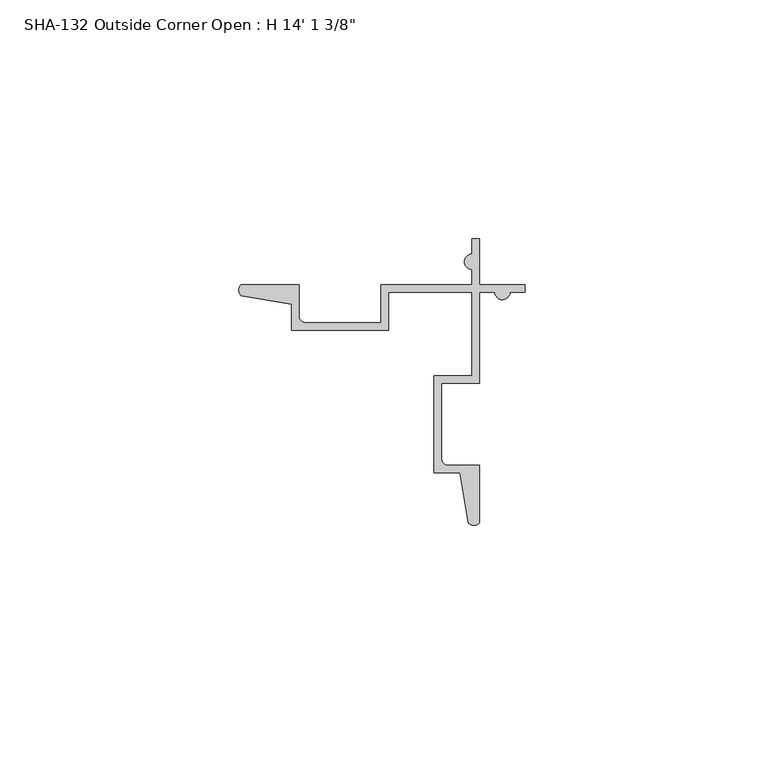
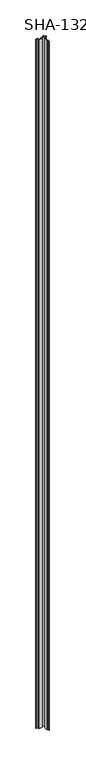
"""IFC4 building model written with IfcOpenShell, lengths in millimetres: proxy geometry."""

from ifc_helpers import new_model, si_unit, point, frame_2d, origin, origin_with_axes, place, context, project, spatial, polyline, circle_curve, trimmed, segment, composite_curve, outline, extrude, source, transform, mapped, element, save


def proxy_3669af3d(model_context):
    return source(origin(), model_context, "Body", "SweptSolid", [
        extrude(outline(composite_curve([segment(trimmed(circle_curve(frame_2d((-28.662637, 17.8573235)), 1.6162393), [point((-29.8194785, 16.7286308))], [point((-29.7533947, 19.05))], False, "CARTESIAN"), True, "CONTINUOUS"), segment(polyline([(-29.7533947, 19.05), (-17.6685916, 19.05), (-17.6685916, 12.3698)]), True, "CONTINUOUS"), segment(trimmed(circle_curve(frame_2d((-16.3985916, 12.3698)), 1.27), [point((-17.6685916, 12.3698))], [point((-16.3985916, 11.0998))], True, "CARTESIAN"), True, "CONTINUOUS"), segment(polyline([(-16.3985916, 11.0998), (-0.5021705, 11.0998), (-0.5021705, 19.05), (18.5478295, 19.05), (18.5478295, 22.2377)]), True, "CONTINUOUS"), segment(trimmed(circle_curve(frame_2d((18.5478295, 23.8125)), 1.5748), [point((18.5478295, 22.2377))], [point((18.5478295, 25.3873))], False, "CARTESIAN"), True, "CONTINUOUS"), segment(polyline([(18.5478295, 25.3873), (18.5478295, 28.575), (20.1226295, 28.575), (20.1226295, 19.05), (29.6476295, 19.05), (29.6476295, 17.4752), (26.4599295, 17.4752)]), True, "CONTINUOUS"), segment(trimmed(circle_curve(frame_2d((24.8851295, 17.4752)), 1.5748), [point((26.4599295, 17.4752))], [point((23.3103295, 17.4752))], False, "CARTESIAN"), True, "CONTINUOUS"), segment(polyline([(23.3103295, 17.4752), (20.1226295, 17.4752), (20.1226295, -1.5748), (12.1724295, -1.5748), (12.1724295, -17.4712211)]), True, "CONTINUOUS"), segment(trimmed(circle_curve(frame_2d((13.4424295, -17.4712211)), 1.27), [point((12.1724295, -17.4712211))], [point((13.4424295, -18.7412211))], True, "CARTESIAN"), True, "CONTINUOUS"), segment(polyline([(13.4424295, -18.7412211), (20.1226295, -18.7412211), (20.1226295, -30.8260242)]), True, "CONTINUOUS"), segment(trimmed(circle_curve(frame_2d((18.929953, -29.7352665)), 1.6162393), [point((20.1226295, -30.8260242))], [point((17.8012602, -30.892108))], False, "CARTESIAN"), True, "CONTINUOUS"), segment(polyline([(17.8012602, -30.892108), (15.9902864, -20.3160211), (10.5976295, -20.3160211), (10.5976295, 0.0), (18.5478295, 0.0), (18.5478295, 17.4752), (1.0726295, 17.4752), (1.0726295, 9.525), (-19.2433916, 9.525), (-19.2433916, 14.917657), (-29.8194785, 16.7286308)]), True, "CONTINUOUS")], self_intersect=False)), origin_with_axes(), (0.0, 0.0, 1.0), 4302.125),
    ])


if __name__ == "__main__":
    model = new_model("IFC4")
    model_context = context("Model", 3, world=origin())
    ifc_project = project(units=[si_unit("LENGTHUNIT", "METRE", prefix="MILLI")], contexts=[model_context])
    site = spatial("IfcSite", under=ifc_project)
    building = spatial("IfcBuilding", under=site)
    placement = place(None, origin())
    proxy_shape = proxy_3669af3d(model_context)
    element("IfcBuildingElementProxy", 1, Name="SHA-132 Outside Corner Open : H 14' 1 3/8\"", ObjectType="SHA-132 Outside Corner Open : H 14' 1 3/8\"", at=placement, inside=building, context=model_context, shape_type="MappedRepresentation", body=[
        mapped(proxy_shape, transform((0.0, 0.0, 0.0), x_axis=(1.0, 0.0, 0.0), y_axis=(0.0, 1.0, 0.0), z_axis=(0.0, 0.0, 1.0))),
    ])
    save(model, "model.ifc")
